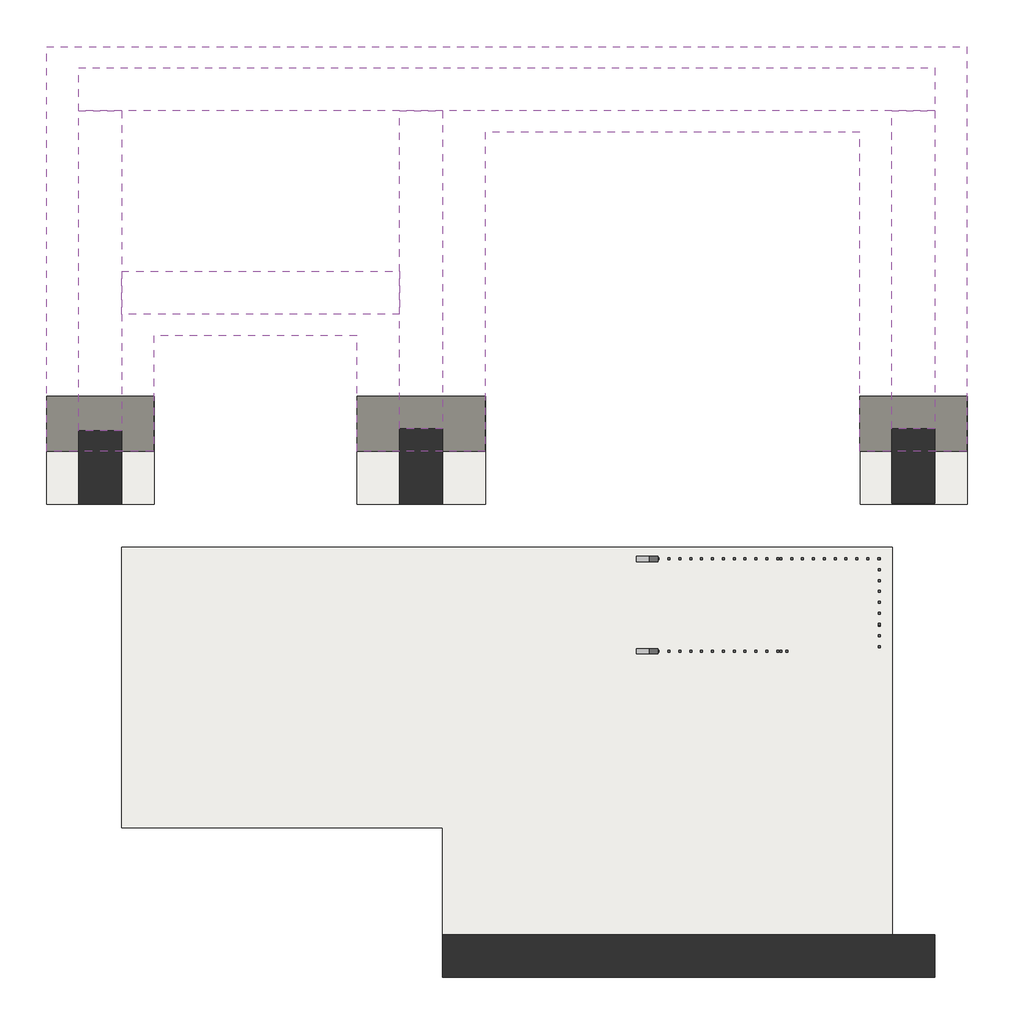
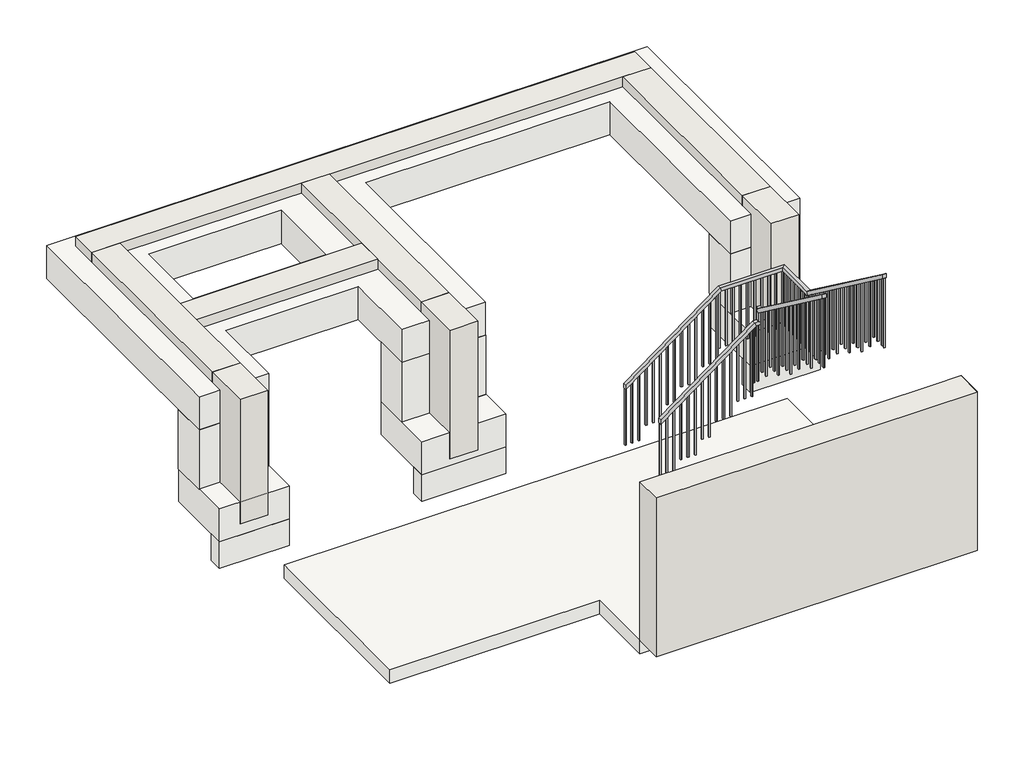
# One storey: 9 walls, 5 slabs, 2 railings.
"""IFC4 building model written with IfcOpenShell, lengths in millimetres."""

from ifc_helpers import new_model, si_unit, frame, origin, place, context, project, spatial, polyline, outline, extrude, faceted_brep, element, save

model = new_model("IFC4")

# Units and contexts
model_context = context("Model", 3, world=origin())
ifc_project = project(units=[si_unit("LENGTHUNIT", "METRE", prefix="MILLI")], contexts=[model_context])

# Site, building, storey
site = spatial("IfcSite", under=ifc_project)
building = spatial("IfcBuilding", under=site)
storey = spatial("IfcBuildingStorey", under=building, Elevation=-2600.0)

# Railings
placement = place(None, origin())
element("IfcRailing", 1, ObjectType="Handrail - Rectangular", at=placement, inside=storey, context=model_context, shape_type="SolidModel", body=[
    faceted_brep([(-5760.3022851, 5840.9288218, -1485.6), (-5760.3022851, 5840.9288218, -1548.8188977), (-5760.3022851, 5790.1288218, -1548.8188977), (-5760.3022851, 5790.1288218, -1485.6), (-4410.3022851, 5840.9288218, -485.6), (-4393.5367732, 5840.9288218, -536.4), (-4393.5367732, 5790.1288218, -536.4), (-4410.3022851, 5790.1288218, -485.6), (-4353.1522851, 5840.9288218, -485.6), (-4353.1522851, 5790.1288218, -485.6), (-4302.3522851, 5790.1288218, -536.4), (-4302.3522851, 5840.9288218, -536.4)], [[[0, 1, 2, 3]], [[1, 0, 4, 5]], [[2, 1, 5, 6]], [[3, 2, 6, 7]], [[0, 3, 7, 4]], [[8, 9, 10, 11]], [[5, 4, 8, 11]], [[6, 5, 11, 10]], [[7, 6, 10, 9]], [[4, 7, 9, 8]]]),
    faceted_brep([(-4353.1522851, 5840.9288218, -485.6), (-4302.3522851, 5840.9288218, -536.4), (-4302.3522851, 5790.1288218, -536.4), (-4353.1522851, 5790.1288218, -485.6), (-4353.1522851, 5840.9288218, -291.6201808), (-4353.1522851, 5790.1288218, -317.2094488), (-4302.3522851, 5790.1288218, -317.2094488), (-4302.3522851, 5840.9288218, -291.6201808)], [[[0, 1, 2, 3]], [[4, 5, 6, 7]], [[1, 0, 4, 7]], [[2, 1, 7, 6]], [[3, 2, 6, 5]], [[0, 3, 5, 4]]]),
    faceted_brep([(-4327.7522851, 5815.5288218, -304.4148148), (-4327.7522851, 5764.7288218, -330.0040829), (-4378.5522851, 5764.7288218, -330.0040829), (-4378.5522851, 5815.5288218, -304.4148148), (-4327.7522851, 4170.1288218, 914.4), (-4378.5522851, 4170.1288218, 914.4), (-4378.5522851, 4170.1288218, 851.1811023), (-4327.7522851, 4170.1288218, 851.1811023)], [[[0, 1, 2, 3]], [[4, 5, 6, 7]], [[1, 0, 4, 7]], [[2, 1, 7, 6]], [[3, 2, 6, 5]], [[0, 3, 5, 4]]]),
    extrude(outline(polyline([(4180.4038218, 843.5699912), (4199.4538218, 829.4588801), (4199.4538218, -200.0), (4180.4038218, -200.0), (4180.4038218, 843.5699912)])), frame((-4362.6772851, 0.0, 0.0), z_axis=(1.0, 0.0, 0.0), x_axis=(0.0, 1.0, 0.0)), (0.0, 0.0, 1.0), 19.05),
    extrude(outline(polyline([(4282.0038218, 768.3107319), (4301.0538218, 754.1996208), (4301.0538218, -200.0), (4282.0038218, -200.0), (4282.0038218, 768.3107319)])), frame((-4362.6772851, 0.0, 0.0), z_axis=(1.0, 0.0, 0.0), x_axis=(0.0, 1.0, 0.0)), (0.0, 0.0, 1.0), 19.05),
    extrude(outline(polyline([(4383.6038218, 693.0514727), (4402.6538218, 678.9403616), (4402.6538218, -200.0), (4383.6038218, -200.0), (4383.6038218, 693.0514727)])), frame((-4362.6772851, 0.0, 0.0), z_axis=(1.0, 0.0, 0.0), x_axis=(0.0, 1.0, 0.0)), (0.0, 0.0, 1.0), 19.05),
    extrude(outline(polyline([(4485.2038218, 617.7922134), (4504.2538218, 603.6811023), (4504.2538218, -400.0), (4485.2038218, -400.0), (4485.2038218, 617.7922134)])), frame((-4362.6772851, 0.0, 0.0), z_axis=(1.0, 0.0, 0.0), x_axis=(0.0, 1.0, 0.0)), (0.0, 0.0, 1.0), 19.05),
    extrude(outline(polyline([(4586.8038218, 542.5329542), (4605.8538218, 528.421843), (4605.8538218, -400.0), (4586.8038218, -400.0), (4586.8038218, 542.5329542)])), frame((-4362.6772851, 0.0, 0.0), z_axis=(1.0, 0.0, 0.0), x_axis=(0.0, 1.0, 0.0)), (0.0, 0.0, 1.0), 19.05),
    extrude(outline(polyline([(4688.4038218, 467.2736949), (4707.4538218, 453.1625838), (4707.4538218, -400.0), (4688.4038218, -400.0), (4688.4038218, 467.2736949)])), frame((-4362.6772851, 0.0, 0.0), z_axis=(1.0, 0.0, 0.0), x_axis=(0.0, 1.0, 0.0)), (0.0, 0.0, 1.0), 19.05),
    extrude(outline(polyline([(4790.0038218, 392.0144356), (4809.0538218, 377.9033245), (4809.0538218, -600.0), (4790.0038218, -600.0), (4790.0038218, 392.0144356)])), frame((-4362.6772851, 0.0, 0.0), z_axis=(1.0, 0.0, 0.0), x_axis=(0.0, 1.0, 0.0)), (0.0, 0.0, 1.0), 19.05),
    extrude(outline(polyline([(4891.6038218, 316.7551764), (4910.6538218, 302.6440653), (4910.6538218, -600.0), (4891.6038218, -600.0), (4891.6038218, 316.7551764)])), frame((-4362.6772851, 0.0, 0.0), z_axis=(1.0, 0.0, 0.0), x_axis=(0.0, 1.0, 0.0)), (0.0, 0.0, 1.0), 19.05),
    extrude(outline(polyline([(4993.2038218, 241.4959171), (5012.2538218, 227.384806), (5012.2538218, -800.0), (4993.2038218, -800.0), (4993.2038218, 241.4959171)])), frame((-4362.6772851, 0.0, 0.0), z_axis=(1.0, 0.0, 0.0), x_axis=(0.0, 1.0, 0.0)), (0.0, 0.0, 1.0), 19.05),
    extrude(outline(polyline([(5094.8038218, 166.2366579), (5113.8538218, 152.1255467), (5113.8538218, -800.0), (5094.8038218, -800.0), (5094.8038218, 166.2366579)])), frame((-4362.6772851, 0.0, 0.0), z_axis=(1.0, 0.0, 0.0), x_axis=(0.0, 1.0, 0.0)), (0.0, 0.0, 1.0), 19.05),
    extrude(outline(polyline([(5196.4038218, 90.9773986), (5215.4538218, 76.8662875), (5215.4538218, -800.0), (5196.4038218, -800.0), (5196.4038218, 90.9773986)])), frame((-4362.6772851, 0.0, 0.0), z_axis=(1.0, 0.0, 0.0), x_axis=(0.0, 1.0, 0.0)), (0.0, 0.0, 1.0), 19.05),
    extrude(outline(polyline([(5298.0038218, 15.7181393), (5317.0538218, 1.6070282), (5317.0538218, -1000.0), (5298.0038218, -1000.0), (5298.0038218, 15.7181393)])), frame((-4362.6772851, 0.0, 0.0), z_axis=(1.0, 0.0, 0.0), x_axis=(0.0, 1.0, 0.0)), (0.0, 0.0, 1.0), 19.05),
    extrude(outline(polyline([(5399.6038218, -59.5411199), (5418.6538218, -73.652231), (5418.6538218, -1000.0), (5399.6038218, -1000.0), (5399.6038218, -59.5411199)])), frame((-4362.6772851, 0.0, 0.0), z_axis=(1.0, 0.0, 0.0), x_axis=(0.0, 1.0, 0.0)), (0.0, 0.0, 1.0), 19.05),
    extrude(outline(polyline([(5501.2038218, -134.7077866), (5520.2538218, -148.8188977), (5520.2538218, -1000.0), (5501.2038218, -1000.0), (5501.2038218, -134.7077866)])), frame((-4362.6772851, 0.0, 0.0), z_axis=(1.0, 0.0, 0.0), x_axis=(0.0, 1.0, 0.0)), (0.0, 0.0, 1.0), 19.05),
    extrude(outline(polyline([(5602.8038218, -210.0596384), (5621.8538218, -224.1707495), (5621.8538218, -1200.0), (5602.8038218, -1200.0), (5602.8038218, -210.0596384)])), frame((-4362.6772851, 0.0, 0.0), z_axis=(1.0, 0.0, 0.0), x_axis=(0.0, 1.0, 0.0)), (0.0, 0.0, 1.0), 19.05),
    extrude(outline(polyline([(5704.4038218, -285.3188977), (5723.4538218, -299.4300088), (5723.4538218, -1200.0), (5704.4038218, -1200.0), (5704.4038218, -285.3188977)])), frame((-4362.6772851, 0.0, 0.0), z_axis=(1.0, 0.0, 0.0), x_axis=(0.0, 1.0, 0.0)), (0.0, 0.0, 1.0), 19.05),
    extrude(outline(polyline([(-563.3929718, -4429.9772851), (-577.5040829, -4449.0272851), (-1600.0, -4449.0272851), (-1600.0, -4429.9772851), (-563.3929718, -4429.9772851)])), frame((0.0, 5806.0038218, 0.0), z_axis=(0.0, 1.0, 0.0), x_axis=(0.0, 0.0, 1.0)), (0.0, 0.0, 1.0), 19.05),
    extrude(outline(polyline([(-638.652231, -4531.5772851), (-652.7633421, -4550.6272851), (-1600.0, -4550.6272851), (-1600.0, -4531.5772851), (-638.652231, -4531.5772851)])), frame((0.0, 5806.0038218, 0.0), z_axis=(0.0, 1.0, 0.0), x_axis=(0.0, 0.0, 1.0)), (0.0, 0.0, 1.0), 19.05),
    extrude(outline(polyline([(-713.9114903, -4633.1772851), (-728.0226014, -4652.2272851), (-1600.0, -4652.2272851), (-1600.0, -4633.1772851), (-713.9114903, -4633.1772851)])), frame((0.0, 5806.0038218, 0.0), z_axis=(0.0, 1.0, 0.0), x_axis=(0.0, 0.0, 1.0)), (0.0, 0.0, 1.0), 19.05),
    extrude(outline(polyline([(-789.1707495, -4734.7772851), (-803.2818607, -4753.8272851), (-1800.0, -4753.8272851), (-1800.0, -4734.7772851), (-789.1707495, -4734.7772851)])), frame((0.0, 5806.0038218, 0.0), z_axis=(0.0, 1.0, 0.0), x_axis=(0.0, 0.0, 1.0)), (0.0, 0.0, 1.0), 19.05),
    extrude(outline(polyline([(-864.4300088, -4836.3772851), (-878.5411199, -4855.4272851), (-1800.0, -4855.4272851), (-1800.0, -4836.3772851), (-864.4300088, -4836.3772851)])), frame((0.0, 5806.0038218, 0.0), z_axis=(0.0, 1.0, 0.0), x_axis=(0.0, 0.0, 1.0)), (0.0, 0.0, 1.0), 19.05),
    extrude(outline(polyline([(-939.6892681, -4937.9772851), (-953.8003792, -4957.0272851), (-1800.0, -4957.0272851), (-1800.0, -4937.9772851), (-939.6892681, -4937.9772851)])), frame((0.0, 5806.0038218, 0.0), z_axis=(0.0, 1.0, 0.0), x_axis=(0.0, 0.0, 1.0)), (0.0, 0.0, 1.0), 19.05),
    extrude(outline(polyline([(-1014.9485273, -5039.5772851), (-1029.0596384, -5058.6272851), (-2000.0, -5058.6272851), (-2000.0, -5039.5772851), (-1014.9485273, -5039.5772851)])), frame((0.0, 5806.0038218, 0.0), z_axis=(0.0, 1.0, 0.0), x_axis=(0.0, 0.0, 1.0)), (0.0, 0.0, 1.0), 19.05),
    extrude(outline(polyline([(-1090.2077866, -5141.1772851), (-1104.3188977, -5160.2272851), (-2000.0, -5160.2272851), (-2000.0, -5141.1772851), (-1090.2077866, -5141.1772851)])), frame((0.0, 5806.0038218, 0.0), z_axis=(0.0, 1.0, 0.0), x_axis=(0.0, 0.0, 1.0)), (0.0, 0.0, 1.0), 19.05),
    extrude(outline(polyline([(-1165.4670458, -5242.7772851), (-1179.578157, -5261.8272851), (-2200.0, -5261.8272851), (-2200.0, -5242.7772851), (-1165.4670458, -5242.7772851)])), frame((0.0, 5806.0038218, 0.0), z_axis=(0.0, 1.0, 0.0), x_axis=(0.0, 0.0, 1.0)), (0.0, 0.0, 1.0), 19.05),
    extrude(outline(polyline([(-1240.7263051, -5344.3772851), (-1254.8374162, -5363.4272851), (-2200.0, -5363.4272851), (-2200.0, -5344.3772851), (-1240.7263051, -5344.3772851)])), frame((0.0, 5806.0038218, 0.0), z_axis=(0.0, 1.0, 0.0), x_axis=(0.0, 0.0, 1.0)), (0.0, 0.0, 1.0), 19.05),
    extrude(outline(polyline([(-1315.9855644, -5445.9772851), (-1330.0966755, -5465.0272851), (-2200.0, -5465.0272851), (-2200.0, -5445.9772851), (-1315.9855644, -5445.9772851)])), frame((0.0, 5806.0038218, 0.0), z_axis=(0.0, 1.0, 0.0), x_axis=(0.0, 0.0, 1.0)), (0.0, 0.0, 1.0), 19.05),
    extrude(outline(polyline([(-1391.2448236, -5547.5772851), (-1405.3559347, -5566.6272851), (-2400.0, -5566.6272851), (-2400.0, -5547.5772851), (-1391.2448236, -5547.5772851)])), frame((0.0, 5806.0038218, 0.0), z_axis=(0.0, 1.0, 0.0), x_axis=(0.0, 0.0, 1.0)), (0.0, 0.0, 1.0), 19.05),
    extrude(outline(polyline([(-1466.5040829, -5649.1772851), (-1480.615194, -5668.2272851), (-2400.0, -5668.2272851), (-2400.0, -5649.1772851), (-1466.5040829, -5649.1772851)])), frame((0.0, 5806.0038218, 0.0), z_axis=(0.0, 1.0, 0.0), x_axis=(0.0, 0.0, 1.0)), (0.0, 0.0, 1.0), 19.05),
    extrude(outline(polyline([(-4362.6772851, 5825.0538218), (-4343.6272851, 5825.0538218), (-4343.6272851, 5806.0038218), (-4362.6772851, 5806.0038218), (-4362.6772851, 5825.0538218)])), frame((0.0, 0.0, -1400.0), z_axis=(0.0, 0.0, 1.0), x_axis=(1.0, 0.0, 0.0)), (0.0, 0.0, 1.0), 863.6),
    extrude(outline(polyline([(-499.4300088, -4400.7772851), (-513.5411199, -4419.8272851), (-1400.0, -4419.8272851), (-1400.0, -4400.7772851), (-499.4300088, -4400.7772851)])), frame((0.0, 5806.0038218, 0.0), z_axis=(0.0, 1.0, 0.0), x_axis=(0.0, 0.0, 1.0)), (0.0, 0.0, 1.0), 19.05),
    extrude(outline(polyline([(4170.1288218, 851.1811023), (4189.1788218, 837.0699912), (4189.1788218, -200.0), (4170.1288218, -200.0), (4170.1288218, 851.1811023)])), frame((-4362.6772851, 0.0, 0.0), z_axis=(1.0, 0.0, 0.0), x_axis=(0.0, 1.0, 0.0)), (0.0, 0.0, 1.0), 19.05),
    extrude(outline(polyline([(-1534.7077866, -5741.2522851), (-1548.8188977, -5760.3022851), (-2400.0, -5760.3022851), (-2400.0, -5741.2522851), (-1534.7077866, -5741.2522851)])), frame((0.0, 5806.0038218, 0.0), z_axis=(0.0, 1.0, 0.0), x_axis=(0.0, 0.0, 1.0)), (0.0, 0.0, 1.0), 19.05),
])
element("IfcRailing", 2, ObjectType="Handrail - Rectangular", at=placement, inside=storey, context=model_context, shape_type="SolidModel", body=[
    faceted_brep([(-5760.3022851, 6704.5288218, -1485.6), (-5760.3022851, 6704.5288218, -1548.8188977), (-5760.3022851, 6653.7288218, -1548.8188977), (-5760.3022851, 6653.7288218, -1485.6), (-4410.3022851, 6704.5288218, -485.6), (-4393.5367732, 6704.5288218, -536.4), (-4393.5367732, 6653.7288218, -536.4), (-4410.3022851, 6653.7288218, -485.6), (-3464.1522851, 6704.5288218, -485.6), (-3464.1522851, 6704.5288218, -536.4), (-3514.9522851, 6653.7288218, -536.4), (-3514.9522851, 6653.7288218, -485.6), (-3464.1522851, 6060.1288218, -485.6), (-3464.1522851, 6043.3633099, -536.4), (-3514.9522851, 6043.3633099, -536.4), (-3514.9522851, 6060.1288218, -485.6), (-3464.1522851, 4170.1288218, 914.4), (-3514.9522851, 4170.1288218, 914.4), (-3514.9522851, 4170.1288218, 851.1811023), (-3464.1522851, 4170.1288218, 851.1811023)], [[[0, 1, 2, 3]], [[1, 0, 4, 5]], [[2, 1, 5, 6]], [[3, 2, 6, 7]], [[0, 3, 7, 4]], [[5, 4, 8, 9]], [[6, 5, 9, 10]], [[7, 6, 10, 11]], [[4, 7, 11, 8]], [[9, 8, 12, 13]], [[10, 9, 13, 14]], [[11, 10, 14, 15]], [[8, 11, 15, 12]], [[16, 17, 18, 19]], [[13, 12, 16, 19]], [[14, 13, 19, 18]], [[15, 14, 18, 17]], [[12, 15, 17, 16]]]),
    extrude(outline(polyline([(4240.8538218, 798.7922134), (4240.8538218, -200.0), (4221.8038218, -200.0), (4221.8038218, 812.9033245), (4240.8538218, 798.7922134)])), frame((-3499.0772851, 0.0, 0.0), z_axis=(1.0, 0.0, 0.0), x_axis=(0.0, 1.0, 0.0)), (0.0, 0.0, 1.0), 19.05),
    extrude(outline(polyline([(4342.4538218, 723.5329542), (4342.4538218, -200.0), (4323.4038218, -200.0), (4323.4038218, 737.6440653), (4342.4538218, 723.5329542)])), frame((-3499.0772851, 0.0, 0.0), z_axis=(1.0, 0.0, 0.0), x_axis=(0.0, 1.0, 0.0)), (0.0, 0.0, 1.0), 19.05),
    extrude(outline(polyline([(4444.0538218, 648.2736949), (4444.0538218, -200.0), (4425.0038218, -200.0), (4425.0038218, 662.384806), (4444.0538218, 648.2736949)])), frame((-3499.0772851, 0.0, 0.0), z_axis=(1.0, 0.0, 0.0), x_axis=(0.0, 1.0, 0.0)), (0.0, 0.0, 1.0), 19.05),
    extrude(outline(polyline([(4545.6538218, 573.0144356), (4545.6538218, -400.0), (4526.6038218, -400.0), (4526.6038218, 587.1255467), (4545.6538218, 573.0144356)])), frame((-3499.0772851, 0.0, 0.0), z_axis=(1.0, 0.0, 0.0), x_axis=(0.0, 1.0, 0.0)), (0.0, 0.0, 1.0), 19.05),
    extrude(outline(polyline([(4647.2538218, 497.7551764), (4647.2538218, -400.0), (4628.2038218, -400.0), (4628.2038218, 511.8662875), (4647.2538218, 497.7551764)])), frame((-3499.0772851, 0.0, 0.0), z_axis=(1.0, 0.0, 0.0), x_axis=(0.0, 1.0, 0.0)), (0.0, 0.0, 1.0), 19.05),
    extrude(outline(polyline([(4748.8538218, 422.4959171), (4748.8538218, -600.0), (4729.8038218, -600.0), (4729.8038218, 436.6070282), (4748.8538218, 422.4959171)])), frame((-3499.0772851, 0.0, 0.0), z_axis=(1.0, 0.0, 0.0), x_axis=(0.0, 1.0, 0.0)), (0.0, 0.0, 1.0), 19.05),
    extrude(outline(polyline([(4850.4538218, 347.2366579), (4850.4538218, -600.0), (4831.4038218, -600.0), (4831.4038218, 361.347769), (4850.4538218, 347.2366579)])), frame((-3499.0772851, 0.0, 0.0), z_axis=(1.0, 0.0, 0.0), x_axis=(0.0, 1.0, 0.0)), (0.0, 0.0, 1.0), 19.05),
    extrude(outline(polyline([(4952.0538218, 271.9773986), (4952.0538218, -600.0), (4933.0038218, -600.0), (4933.0038218, 286.0885097), (4952.0538218, 271.9773986)])), frame((-3499.0772851, 0.0, 0.0), z_axis=(1.0, 0.0, 0.0), x_axis=(0.0, 1.0, 0.0)), (0.0, 0.0, 1.0), 19.05),
    extrude(outline(polyline([(5053.6538218, 196.7181393), (5053.6538218, -800.0), (5034.6038218, -800.0), (5034.6038218, 210.8292505), (5053.6538218, 196.7181393)])), frame((-3499.0772851, 0.0, 0.0), z_axis=(1.0, 0.0, 0.0), x_axis=(0.0, 1.0, 0.0)), (0.0, 0.0, 1.0), 19.05),
    extrude(outline(polyline([(5155.2538218, 121.4588801), (5155.2538218, -800.0), (5136.2038218, -800.0), (5136.2038218, 135.5699912), (5155.2538218, 121.4588801)])), frame((-3499.0772851, 0.0, 0.0), z_axis=(1.0, 0.0, 0.0), x_axis=(0.0, 1.0, 0.0)), (0.0, 0.0, 1.0), 19.05),
    extrude(outline(polyline([(5256.8538218, 46.1996208), (5256.8538218, -800.0), (5237.8038218, -800.0), (5237.8038218, 60.3107319), (5256.8538218, 46.1996208)])), frame((-3499.0772851, 0.0, 0.0), z_axis=(1.0, 0.0, 0.0), x_axis=(0.0, 1.0, 0.0)), (0.0, 0.0, 1.0), 19.05),
    extrude(outline(polyline([(5358.4538218, -29.0596384), (5358.4538218, -1000.0), (5339.4038218, -1000.0), (5339.4038218, -14.9485273), (5358.4538218, -29.0596384)])), frame((-3499.0772851, 0.0, 0.0), z_axis=(1.0, 0.0, 0.0), x_axis=(0.0, 1.0, 0.0)), (0.0, 0.0, 1.0), 19.05),
    extrude(outline(polyline([(5460.0538218, -104.3188977), (5460.0538218, -1000.0), (5441.0038218, -1000.0), (5441.0038218, -90.2077866), (5460.0538218, -104.3188977)])), frame((-3499.0772851, 0.0, 0.0), z_axis=(1.0, 0.0, 0.0), x_axis=(0.0, 1.0, 0.0)), (0.0, 0.0, 1.0), 19.05),
    extrude(outline(polyline([(5561.6538218, -179.578157), (5561.6538218, -1200.0), (5542.6038218, -1200.0), (5542.6038218, -165.4670458), (5561.6538218, -179.578157)])), frame((-3499.0772851, 0.0, 0.0), z_axis=(1.0, 0.0, 0.0), x_axis=(0.0, 1.0, 0.0)), (0.0, 0.0, 1.0), 19.05),
    extrude(outline(polyline([(5663.2538218, -254.8374162), (5663.2538218, -1200.0), (5644.2038218, -1200.0), (5644.2038218, -240.7263051), (5663.2538218, -254.8374162)])), frame((-3499.0772851, 0.0, 0.0), z_axis=(1.0, 0.0, 0.0), x_axis=(0.0, 1.0, 0.0)), (0.0, 0.0, 1.0), 19.05),
    extrude(outline(polyline([(5764.8538218, -330.0966755), (5764.8538218, -1200.0), (5745.8038218, -1200.0), (5745.8038218, -315.9855644), (5764.8538218, -330.0966755)])), frame((-3499.0772851, 0.0, 0.0), z_axis=(1.0, 0.0, 0.0), x_axis=(0.0, 1.0, 0.0)), (0.0, 0.0, 1.0), 19.05),
    extrude(outline(polyline([(5866.4538218, -405.3559347), (5866.4538218, -1400.0), (5847.4038218, -1400.0), (5847.4038218, -391.2448236), (5866.4538218, -405.3559347)])), frame((-3499.0772851, 0.0, 0.0), z_axis=(1.0, 0.0, 0.0), x_axis=(0.0, 1.0, 0.0)), (0.0, 0.0, 1.0), 19.05),
    extrude(outline(polyline([(5968.0538218, -480.615194), (5968.0538218, -1400.0), (5949.0038218, -1400.0), (5949.0038218, -466.5040829), (5968.0538218, -480.615194)])), frame((-3499.0772851, 0.0, 0.0), z_axis=(1.0, 0.0, 0.0), x_axis=(0.0, 1.0, 0.0)), (0.0, 0.0, 1.0), 19.05),
    extrude(outline(polyline([(-3480.0272851, 6079.0538218), (-3480.0272851, 6060.0038218), (-3499.0772851, 6060.0038218), (-3499.0772851, 6079.0538218), (-3480.0272851, 6079.0538218)])), frame((0.0, 0.0, -1400.0), z_axis=(0.0, 0.0, 1.0), x_axis=(1.0, 0.0, 0.0)), (0.0, 0.0, 1.0), 863.6),
    extrude(outline(polyline([(-3480.0272851, 6180.6538218), (-3480.0272851, 6161.6038218), (-3499.0772851, 6161.6038218), (-3499.0772851, 6180.6538218), (-3480.0272851, 6180.6538218)])), frame((0.0, 0.0, -1400.0), z_axis=(0.0, 0.0, 1.0), x_axis=(1.0, 0.0, 0.0)), (0.0, 0.0, 1.0), 863.6),
    extrude(outline(polyline([(-3480.0272851, 6282.2538218), (-3480.0272851, 6263.2038218), (-3499.0772851, 6263.2038218), (-3499.0772851, 6282.2538218), (-3480.0272851, 6282.2538218)])), frame((0.0, 0.0, -1400.0), z_axis=(0.0, 0.0, 1.0), x_axis=(1.0, 0.0, 0.0)), (0.0, 0.0, 1.0), 863.6),
    extrude(outline(polyline([(-3480.0272851, 6383.8538218), (-3480.0272851, 6364.8038218), (-3499.0772851, 6364.8038218), (-3499.0772851, 6383.8538218), (-3480.0272851, 6383.8538218)])), frame((0.0, 0.0, -1400.0), z_axis=(0.0, 0.0, 1.0), x_axis=(1.0, 0.0, 0.0)), (0.0, 0.0, 1.0), 863.6),
    extrude(outline(polyline([(-3480.0272851, 6485.4538218), (-3480.0272851, 6466.4038218), (-3499.0772851, 6466.4038218), (-3499.0772851, 6485.4538218), (-3480.0272851, 6485.4538218)])), frame((0.0, 0.0, -1400.0), z_axis=(0.0, 0.0, 1.0), x_axis=(1.0, 0.0, 0.0)), (0.0, 0.0, 1.0), 863.6),
    extrude(outline(polyline([(-3480.0272851, 6587.0538218), (-3480.0272851, 6568.0038218), (-3499.0772851, 6568.0038218), (-3499.0772851, 6587.0538218), (-3480.0272851, 6587.0538218)])), frame((0.0, 0.0, -1400.0), z_axis=(0.0, 0.0, 1.0), x_axis=(1.0, 0.0, 0.0)), (0.0, 0.0, 1.0), 863.6),
    extrude(outline(polyline([(-3505.4272851, 6688.6538218), (-3486.3772851, 6688.6538218), (-3486.3772851, 6669.6038218), (-3505.4272851, 6669.6038218), (-3505.4272851, 6688.6538218)])), frame((0.0, 0.0, -1400.0), z_axis=(0.0, 0.0, 1.0), x_axis=(1.0, 0.0, 0.0)), (0.0, 0.0, 1.0), 863.6),
    extrude(outline(polyline([(-3607.0272851, 6688.6538218), (-3587.9772851, 6688.6538218), (-3587.9772851, 6669.6038218), (-3607.0272851, 6669.6038218), (-3607.0272851, 6688.6538218)])), frame((0.0, 0.0, -1400.0), z_axis=(0.0, 0.0, 1.0), x_axis=(1.0, 0.0, 0.0)), (0.0, 0.0, 1.0), 863.6),
    extrude(outline(polyline([(-3708.6272851, 6688.6538218), (-3689.5772851, 6688.6538218), (-3689.5772851, 6669.6038218), (-3708.6272851, 6669.6038218), (-3708.6272851, 6688.6538218)])), frame((0.0, 0.0, -1400.0), z_axis=(0.0, 0.0, 1.0), x_axis=(1.0, 0.0, 0.0)), (0.0, 0.0, 1.0), 863.6),
    extrude(outline(polyline([(-3810.2272851, 6688.6538218), (-3791.1772851, 6688.6538218), (-3791.1772851, 6669.6038218), (-3810.2272851, 6669.6038218), (-3810.2272851, 6688.6538218)])), frame((0.0, 0.0, -1400.0), z_axis=(0.0, 0.0, 1.0), x_axis=(1.0, 0.0, 0.0)), (0.0, 0.0, 1.0), 863.6),
    extrude(outline(polyline([(-3911.8272851, 6688.6538218), (-3892.7772851, 6688.6538218), (-3892.7772851, 6669.6038218), (-3911.8272851, 6669.6038218), (-3911.8272851, 6688.6538218)])), frame((0.0, 0.0, -1400.0), z_axis=(0.0, 0.0, 1.0), x_axis=(1.0, 0.0, 0.0)), (0.0, 0.0, 1.0), 863.6),
    extrude(outline(polyline([(-4013.4272851, 6688.6538218), (-3994.3772851, 6688.6538218), (-3994.3772851, 6669.6038218), (-4013.4272851, 6669.6038218), (-4013.4272851, 6688.6538218)])), frame((0.0, 0.0, -1400.0), z_axis=(0.0, 0.0, 1.0), x_axis=(1.0, 0.0, 0.0)), (0.0, 0.0, 1.0), 863.6),
    extrude(outline(polyline([(-4115.0272851, 6688.6538218), (-4095.9772851, 6688.6538218), (-4095.9772851, 6669.6038218), (-4115.0272851, 6669.6038218), (-4115.0272851, 6688.6538218)])), frame((0.0, 0.0, -1400.0), z_axis=(0.0, 0.0, 1.0), x_axis=(1.0, 0.0, 0.0)), (0.0, 0.0, 1.0), 863.6),
    extrude(outline(polyline([(-4216.6272851, 6688.6538218), (-4197.5772851, 6688.6538218), (-4197.5772851, 6669.6038218), (-4216.6272851, 6669.6038218), (-4216.6272851, 6688.6538218)])), frame((0.0, 0.0, -1400.0), z_axis=(0.0, 0.0, 1.0), x_axis=(1.0, 0.0, 0.0)), (0.0, 0.0, 1.0), 863.6),
    extrude(outline(polyline([(-4318.2272851, 6688.6538218), (-4299.1772851, 6688.6538218), (-4299.1772851, 6669.6038218), (-4318.2272851, 6669.6038218), (-4318.2272851, 6688.6538218)])), frame((0.0, 0.0, -1400.0), z_axis=(0.0, 0.0, 1.0), x_axis=(1.0, 0.0, 0.0)), (0.0, 0.0, 1.0), 863.6),
    extrude(outline(polyline([(-577.5040829, -4449.0272851), (-1600.0, -4449.0272851), (-1600.0, -4429.9772851), (-563.3929718, -4429.9772851), (-577.5040829, -4449.0272851)])), frame((0.0, 6669.6038218, 0.0), z_axis=(0.0, 1.0, 0.0), x_axis=(0.0, 0.0, 1.0)), (0.0, 0.0, 1.0), 19.05),
    extrude(outline(polyline([(-652.7633421, -4550.6272851), (-1600.0, -4550.6272851), (-1600.0, -4531.5772851), (-638.652231, -4531.5772851), (-652.7633421, -4550.6272851)])), frame((0.0, 6669.6038218, 0.0), z_axis=(0.0, 1.0, 0.0), x_axis=(0.0, 0.0, 1.0)), (0.0, 0.0, 1.0), 19.05),
    extrude(outline(polyline([(-728.0226014, -4652.2272851), (-1600.0, -4652.2272851), (-1600.0, -4633.1772851), (-713.9114903, -4633.1772851), (-728.0226014, -4652.2272851)])), frame((0.0, 6669.6038218, 0.0), z_axis=(0.0, 1.0, 0.0), x_axis=(0.0, 0.0, 1.0)), (0.0, 0.0, 1.0), 19.05),
    extrude(outline(polyline([(-803.2818607, -4753.8272851), (-1800.0, -4753.8272851), (-1800.0, -4734.7772851), (-789.1707495, -4734.7772851), (-803.2818607, -4753.8272851)])), frame((0.0, 6669.6038218, 0.0), z_axis=(0.0, 1.0, 0.0), x_axis=(0.0, 0.0, 1.0)), (0.0, 0.0, 1.0), 19.05),
    extrude(outline(polyline([(-878.5411199, -4855.4272851), (-1800.0, -4855.4272851), (-1800.0, -4836.3772851), (-864.4300088, -4836.3772851), (-878.5411199, -4855.4272851)])), frame((0.0, 6669.6038218, 0.0), z_axis=(0.0, 1.0, 0.0), x_axis=(0.0, 0.0, 1.0)), (0.0, 0.0, 1.0), 19.05),
    extrude(outline(polyline([(-953.8003792, -4957.0272851), (-1800.0, -4957.0272851), (-1800.0, -4937.9772851), (-939.6892681, -4937.9772851), (-953.8003792, -4957.0272851)])), frame((0.0, 6669.6038218, 0.0), z_axis=(0.0, 1.0, 0.0), x_axis=(0.0, 0.0, 1.0)), (0.0, 0.0, 1.0), 19.05),
    extrude(outline(polyline([(-1029.0596384, -5058.6272851), (-2000.0, -5058.6272851), (-2000.0, -5039.5772851), (-1014.9485273, -5039.5772851), (-1029.0596384, -5058.6272851)])), frame((0.0, 6669.6038218, 0.0), z_axis=(0.0, 1.0, 0.0), x_axis=(0.0, 0.0, 1.0)), (0.0, 0.0, 1.0), 19.05),
    extrude(outline(polyline([(-1104.3188977, -5160.2272851), (-2000.0, -5160.2272851), (-2000.0, -5141.1772851), (-1090.2077866, -5141.1772851), (-1104.3188977, -5160.2272851)])), frame((0.0, 6669.6038218, 0.0), z_axis=(0.0, 1.0, 0.0), x_axis=(0.0, 0.0, 1.0)), (0.0, 0.0, 1.0), 19.05),
    extrude(outline(polyline([(-1179.578157, -5261.8272851), (-2200.0, -5261.8272851), (-2200.0, -5242.7772851), (-1165.4670458, -5242.7772851), (-1179.578157, -5261.8272851)])), frame((0.0, 6669.6038218, 0.0), z_axis=(0.0, 1.0, 0.0), x_axis=(0.0, 0.0, 1.0)), (0.0, 0.0, 1.0), 19.05),
    extrude(outline(polyline([(-1254.8374162, -5363.4272851), (-2200.0, -5363.4272851), (-2200.0, -5344.3772851), (-1240.7263051, -5344.3772851), (-1254.8374162, -5363.4272851)])), frame((0.0, 6669.6038218, 0.0), z_axis=(0.0, 1.0, 0.0), x_axis=(0.0, 0.0, 1.0)), (0.0, 0.0, 1.0), 19.05),
    extrude(outline(polyline([(-1330.0966755, -5465.0272851), (-2200.0, -5465.0272851), (-2200.0, -5445.9772851), (-1315.9855644, -5445.9772851), (-1330.0966755, -5465.0272851)])), frame((0.0, 6669.6038218, 0.0), z_axis=(0.0, 1.0, 0.0), x_axis=(0.0, 0.0, 1.0)), (0.0, 0.0, 1.0), 19.05),
    extrude(outline(polyline([(-1405.3559347, -5566.6272851), (-2400.0, -5566.6272851), (-2400.0, -5547.5772851), (-1391.2448236, -5547.5772851), (-1405.3559347, -5566.6272851)])), frame((0.0, 6669.6038218, 0.0), z_axis=(0.0, 1.0, 0.0), x_axis=(0.0, 0.0, 1.0)), (0.0, 0.0, 1.0), 19.05),
    extrude(outline(polyline([(-1480.615194, -5668.2272851), (-2400.0, -5668.2272851), (-2400.0, -5649.1772851), (-1466.5040829, -5649.1772851), (-1480.615194, -5668.2272851)])), frame((0.0, 6669.6038218, 0.0), z_axis=(0.0, 1.0, 0.0), x_axis=(0.0, 0.0, 1.0)), (0.0, 0.0, 1.0), 19.05),
    extrude(outline(polyline([(-3480.0272851, 6069.6538218), (-3480.0272851, 6050.6038218), (-3499.0772851, 6050.6038218), (-3499.0772851, 6069.6538218), (-3480.0272851, 6069.6538218)])), frame((0.0, 0.0, -1400.0), z_axis=(0.0, 0.0, 1.0), x_axis=(1.0, 0.0, 0.0)), (0.0, 0.0, 1.0), 863.6),
    extrude(outline(polyline([(-3499.0772851, 6688.6538218), (-3480.0272851, 6688.6538218), (-3480.0272851, 6669.6038218), (-3499.0772851, 6669.6038218), (-3499.0772851, 6688.6538218)])), frame((0.0, 0.0, -1400.0), z_axis=(0.0, 0.0, 1.0), x_axis=(1.0, 0.0, 0.0)), (0.0, 0.0, 1.0), 863.6),
    extrude(outline(polyline([(-555.8744533, -4419.8272851), (-1400.0, -4419.8272851), (-1400.0, -4400.7772851), (-541.7633421, -4400.7772851), (-555.8744533, -4419.8272851)])), frame((0.0, 6669.6038218, 0.0), z_axis=(0.0, 1.0, 0.0), x_axis=(0.0, 0.0, 1.0)), (0.0, 0.0, 1.0), 19.05),
    extrude(outline(polyline([(4189.1788218, 837.0699912), (4189.1788218, -200.0), (4170.1288218, -200.0), (4170.1288218, 851.1811023), (4189.1788218, 837.0699912)])), frame((-3499.0772851, 0.0, 0.0), z_axis=(1.0, 0.0, 0.0), x_axis=(0.0, 1.0, 0.0)), (0.0, 0.0, 1.0), 19.05),
    extrude(outline(polyline([(-1548.8188977, -5760.3022851), (-2400.0, -5760.3022851), (-2400.0, -5741.2522851), (-1534.7077866, -5741.2522851), (-1548.8188977, -5760.3022851)])), frame((0.0, 6669.6038218, 0.0), z_axis=(0.0, 1.0, 0.0), x_axis=(0.0, 0.0, 1.0)), (0.0, 0.0, 1.0), 19.05),
])

# Slabs
element("IfcSlab", 3, at=placement, inside=storey, context=model_context, shape_type="SweptSolid", body=[
    extrude(outline(polyline([(-7168.6006695, 7389.1927467), (-7168.6006695, 7189.1927467), (-8368.6006695, 7189.1927467), (-8368.6006695, 7389.1927467), (-7168.6006695, 7389.1927467)])), frame((0.0, 0.0, -2650.0), z_axis=(0.0, 0.0, 1.0), x_axis=(1.0, 0.0, 0.0)), (0.0, 0.0, 1.0), 400.0),
    extrude(outline(polyline([(-10268.6006695, 7389.1927467), (-10268.6006695, 7189.1927467), (-11268.6006695, 7189.1927467), (-11268.6006695, 7389.1927467), (-10268.6006695, 7389.1927467)])), frame((0.0, 0.0, -2650.0), z_axis=(0.0, 0.0, 1.0), x_axis=(1.0, 0.0, 0.0)), (0.0, 0.0, 1.0), 400.0),
    extrude(outline(polyline([(-2668.6006695, 7389.1927467), (-2668.6006695, 7189.1927467), (-3668.6006695, 7189.1927467), (-3668.6006695, 7389.1927467), (-2668.6006695, 7389.1927467)])), frame((0.0, 0.0, -2650.0), z_axis=(0.0, 0.0, 1.0), x_axis=(1.0, 0.0, 0.0)), (0.0, 0.0, 1.0), 400.0),
])
element("IfcSlab", 4, at=placement, inside=storey, context=model_context, shape_type="Brep", body=[
    faceted_brep([(-7172.7181325, 7684.1091022, -1750.2460789), (-7172.7181325, 8195.8148498, -1750.2460789), (-7172.7181325, 8195.8148498, -1750.0), (-7172.7181325, 8195.8148498, -850.2460789), (-7172.7181325, 7684.1091022, -850.2460789), (-7172.7181325, 7684.1091022, -1750.0), (-8372.7181325, 7684.1091022, -1750.2460789), (-8368.6304364, 7684.1091022, -1750.2460789), (-8372.7181325, 7684.1091022, -850.2460789), (-8372.7181325, 8195.8148498, -1750.2460789), (-8372.7181325, 8195.8148498, -850.2460789), (-8368.6304364, 8195.8148498, -1750.2460789)], [[[0, 1, 2, 3, 4, 5]], [[6, 7, 0, 5, 4, 8]], [[9, 6, 8, 10]], [[1, 11, 9, 10, 3, 2]], [[3, 10, 8, 4]], [[1, 0, 7, 6, 9, 11]]]),
    faceted_brep([(-10272.7181325, 7684.1091022, -1750.2460789), (-10272.7181325, 8195.8148498, -1750.2460789), (-10272.7181325, 8195.8148498, -1750.0), (-10272.7181325, 8195.8148498, -850.2460789), (-10272.7181325, 7684.1091022, -850.2460789), (-10272.7181325, 7684.1091022, -1750.0), (-11272.7181325, 7684.1091022, -1750.2460789), (-11268.6304364, 7684.1091022, -1750.2460789), (-11272.7181325, 7684.1091022, -850.2460789), (-11272.7181325, 8195.8148498, -1750.2460789), (-11272.7181325, 8195.8148498, -850.2460789), (-11268.6304364, 8195.8148498, -1750.2460789)], [[[0, 1, 2, 3, 4, 5]], [[6, 7, 0, 5, 4, 8]], [[9, 6, 8, 10]], [[1, 11, 9, 10, 3, 2]], [[3, 10, 8, 4]], [[1, 0, 7, 6, 9, 11]]]),
    faceted_brep([(-2672.7181325, 8195.8148498, -1750.2460789), (-2672.7181325, 7684.1091022, -1750.2460789), (-3668.6304364, 7684.1091022, -1750.2460789), (-3672.7181325, 7684.1091022, -1750.2460789), (-3672.7181325, 8195.8148498, -1750.2460789), (-3668.6304364, 8195.8148498, -1750.2460789), (-2672.7181325, 8195.8148498, -850.2460789), (-3672.7181325, 8195.8148498, -850.2460789), (-3672.7181325, 7684.1091022, -850.2460789), (-2672.7181325, 7684.1091022, -850.2460789), (-2672.7181325, 8195.8148498, -1750.0), (-2672.7181325, 7684.1091022, -1750.0)], [[[0, 1, 2, 3, 4, 5]], [[6, 7, 8, 9]], [[1, 0, 10, 6, 9, 11]], [[3, 2, 1, 11, 9, 8]], [[4, 3, 8, 7]], [[0, 5, 4, 7, 6, 10]]]),
])
element("IfcSlab", 5, ObjectType="ab stopa 50", at=placement, inside=storey, context=model_context, shape_type="SweptSolid", body=[
    extrude(outline(polyline([(-2672.7697469, 7684.1931157), (-3672.7697469, 7684.1931157), (-3672.7697469, 10664.1931157), (-7172.7697469, 10664.1931157), (-7172.7697469, 7684.1931157), (-8372.7697469, 7684.1931157), (-8372.7697469, 8764.1931157), (-10272.7697469, 8764.1931157), (-10272.7697469, 7684.1931157), (-11272.7697469, 7684.1931157), (-11272.7697469, 11464.1931157), (-2672.7697469, 11464.1931157), (-2672.7697469, 7684.1931157)]), holes=[polyline([(-8372.7697469, 10664.1931157), (-10272.7697469, 10664.1931157), (-10272.7697469, 9564.1931157), (-8372.7697469, 9564.1931157), (-8372.7697469, 10664.1931157)])]), frame((0.0, 0.0, -850.3182094), z_axis=(0.0, 0.0, 1.0), x_axis=(1.0, 0.0, 0.0)), (0.0, 0.0, 1.0), 500.0),
])
element("IfcSlab", 6, ObjectType="ab stopa 50", at=placement, inside=storey, context=model_context, shape_type="Brep", body=[
    faceted_brep([(-7168.6304364, 7189.3086188, -2250.0), (-7168.6304364, 8196.0336039, -2250.0), (-7168.6304364, 8196.0336039, -1750.0), (-7168.6304364, 7189.3086188, -1750.0), (-8368.6304364, 7189.3086188, -2250.0), (-8368.6304364, 7189.3086188, -1750.0), (-8368.6304364, 8196.0336039, -2250.0), (-8368.6304364, 7684.1091022, -1750.0), (-8368.6304364, 7684.1091022, -1750.2460789), (-8368.6304364, 8195.8148498, -1750.2460789), (-8368.6304364, 8195.8148498, -1750.0), (-8368.6304364, 8196.0336039, -1750.0), (-7172.7181325, 8195.8148498, -1750.2460789), (-7172.7181325, 7684.1091022, -1750.2460789), (-7172.7181325, 7684.1091022, -1750.0), (-7172.7181325, 8195.8148498, -1750.0)], [[[0, 1, 2, 3]], [[4, 0, 3, 5]], [[6, 4, 5, 7, 8, 9, 10, 11]], [[1, 6, 11, 2]], [[12, 13, 14, 15]], [[13, 8, 7, 14]], [[9, 12, 15, 10]], [[13, 12, 9, 8]], [[3, 2, 11, 10, 15, 14, 7, 5]], [[1, 0, 4, 6]]]),
    faceted_brep([(-10268.6304364, 7189.3086188, -2250.0), (-10268.6304364, 8196.0336039, -2250.0), (-10268.6304364, 8196.0336039, -1750.0), (-10268.6304364, 7189.3086188, -1750.0), (-11268.6304364, 7189.3086188, -2250.0), (-11268.6304364, 7189.3086188, -1750.0), (-11268.6304364, 8196.0336039, -2250.0), (-11268.6304364, 7684.1091022, -1750.0), (-11268.6304364, 7684.1091022, -1750.2460789), (-11268.6304364, 8195.8148498, -1750.2460789), (-11268.6304364, 8195.8148498, -1750.0), (-11268.6304364, 8196.0336039, -1750.0), (-10272.7181325, 8195.8148498, -1750.2460789), (-10272.7181325, 7684.1091022, -1750.2460789), (-10272.7181325, 7684.1091022, -1750.0), (-10272.7181325, 8195.8148498, -1750.0)], [[[0, 1, 2, 3]], [[4, 0, 3, 5]], [[6, 4, 5, 7, 8, 9, 10, 11]], [[1, 6, 11, 2]], [[12, 13, 14, 15]], [[13, 8, 7, 14]], [[9, 12, 15, 10]], [[13, 12, 9, 8]], [[3, 2, 11, 10, 15, 14, 7, 5]], [[1, 0, 4, 6]]]),
    faceted_brep([(-2668.6304364, 8196.0336039, -2250.0), (-2668.6304364, 7189.3086188, -2250.0), (-3668.6304364, 7189.3086188, -2250.0), (-3668.6304364, 8196.0336039, -2250.0), (-2668.6304364, 7189.3086188, -1750.0), (-2668.6304364, 8196.0336039, -1750.0), (-3668.6304364, 8196.0336039, -1750.0), (-3668.6304364, 8195.8148498, -1750.0), (-2672.7181325, 8195.8148498, -1750.0), (-2672.7181325, 7684.1091022, -1750.0), (-3668.6304364, 7684.1091022, -1750.0), (-3668.6304364, 7189.3086188, -1750.0), (-3668.6304364, 7684.1091022, -1750.2460789), (-3668.6304364, 8195.8148498, -1750.2460789), (-2672.7181325, 7684.1091022, -1750.2460789), (-2672.7181325, 8195.8148498, -1750.2460789)], [[[0, 1, 2, 3]], [[4, 5, 6, 7, 8, 9, 10, 11]], [[1, 0, 5, 4]], [[2, 1, 4, 11]], [[3, 2, 11, 10, 12, 13, 7, 6]], [[0, 3, 6, 5]], [[14, 15, 13, 12]], [[15, 14, 9, 8]], [[14, 12, 10, 9]], [[13, 15, 8, 7]]]),
])
element("IfcSlab", 7, ObjectType="pod_20", at=placement, inside=storey, context=model_context, shape_type="SweptSolid", body=[
    extrude(outline(polyline([(-10569.6617425, 4168.8920331), (-10569.6617425, 6788.8920331), (-3369.6617425, 6788.8920331), (-3369.6617425, 3168.8920331), (-7569.6617425, 3168.8920331), (-7569.6617425, 4168.8920331), (-10569.6617425, 4168.8920331)])), frame((0.0, 0.0, -2800.0), z_axis=(0.0, 0.0, 1.0), x_axis=(1.0, 0.0, 0.0)), (0.0, 0.0, 1.0), 200.0),
])

# Walls
element("IfcWall", 8, at=placement, inside=storey, context=model_context, shape_type="Brep", body=[
    faceted_brep([(-7569.6617425, 2768.8920331, -2600.0), (-2969.6617425, 2768.8920331, -2600.0), (-2969.6617425, 2768.8920331, -200.0), (-2972.7697469, 2768.8920331, -200.0), (-7569.6617425, 2768.8920331, -200.0), (-7569.6617425, 3168.8920331, -2600.0), (-7569.6617425, 3168.8920331, -200.0), (-3369.6617425, 3168.8920331, -200.0), (-2972.7697469, 3168.8920331, -200.0), (-2969.6617425, 3168.8920331, -200.0), (-2969.6617425, 3168.8920331, -2600.0)], [[[0, 1, 2, 3, 4]], [[5, 6, 7, 8, 9, 10]], [[1, 0, 5, 10]], [[0, 4, 6, 5]], [[2, 1, 10, 9]], [[3, 2, 9, 8]], [[4, 3, 8, 7, 6]]]),
])
element("IfcWall", 9, at=placement, inside=storey, context=model_context, shape_type="Brep", body=[
    faceted_brep([(-2972.7697469, 11264.1931157, -850.3182094), (-10971.7118646, 11264.1931157, -850.3182094), (-10971.7118646, 11264.1931157, -200.0), (-2972.7697469, 11264.1931157, -200.0), (-2972.7697469, 10864.1931157, -850.3182094), (-2972.7697469, 10864.1931157, -200.0), (-3372.7697469, 10864.1931157, -200.0), (-7572.7697469, 10864.1931157, -200.0), (-7972.7697469, 10864.1931157, -200.0), (-10571.7118646, 10864.1931157, -200.0), (-10971.7118646, 10864.1931157, -200.0), (-10971.7118646, 10864.1931157, -850.3182094), (-10571.7118646, 10864.1931157, -850.3182094), (-7972.7697469, 10864.1931157, -850.3182094), (-7572.7697469, 10864.1931157, -850.3182094), (-3372.7697469, 10864.1931157, -850.3182094)], [[[0, 1, 2, 3]], [[4, 5, 6, 7, 8, 9, 10, 11, 12, 13, 14, 15]], [[1, 0, 4, 15, 14, 13, 12, 11]], [[0, 3, 5, 4]], [[3, 2, 10, 9, 8, 7, 6, 5]], [[2, 1, 11, 10]]]),
])
element("IfcWall", 10, at=placement, inside=storey, context=model_context, shape_type="Brep", body=[
    faceted_brep([(-10971.7118646, 10864.1931157, -850.3182094), (-10971.7118646, 7876.380962, -850.3182094), (-10971.7118646, 7876.380962, -200.0), (-10971.7118646, 10864.1931157, -200.0), (-10571.7118646, 10864.1931157, -850.3182094), (-10571.7118646, 10864.1931157, -200.0), (-10571.7118646, 9364.1931157, -200.0), (-10571.7118646, 8964.1931157, -200.0), (-10571.7118646, 7876.380962, -200.0), (-10571.7118646, 7876.380962, -850.3182094), (-10571.7118646, 8964.1931157, -850.3182094), (-10571.7118646, 9364.1931157, -850.3182094)], [[[0, 1, 2, 3]], [[4, 5, 6, 7, 8, 9, 10, 11]], [[1, 0, 4, 11, 10, 9]], [[2, 1, 9, 8]], [[3, 2, 8, 7, 6, 5]], [[0, 3, 5, 4]]]),
])
element("IfcWall", 11, at=placement, inside=storey, context=model_context, shape_type="SweptSolid", body=[
    extrude(outline(polyline([(-3372.7697469, 7896.1668481), (-3372.7697469, 10864.1931157), (-2972.7697469, 10864.1931157), (-2972.7697469, 7896.1668481), (-3372.7697469, 7896.1668481)])), frame((0.0, 0.0, -850.3182094), z_axis=(0.0, 0.0, 1.0), x_axis=(1.0, 0.0, 0.0)), (0.0, 0.0, 1.0), 650.3182094),
])
element("IfcWall", 12, at=placement, inside=storey, context=model_context, shape_type="SweptSolid", body=[
    extrude(outline(polyline([(-7972.7697469, 8964.1931157), (-10571.7118646, 8964.1931157), (-10571.7118646, 9364.1931157), (-7972.7697469, 9364.1931157), (-7972.7697469, 8964.1931157)])), frame((0.0, 0.0, -850.3182094), z_axis=(0.0, 0.0, 1.0), x_axis=(1.0, 0.0, 0.0)), (0.0, 0.0, 1.0), 650.3182094),
])
element("IfcWall", 13, at=placement, inside=storey, context=model_context, shape_type="Brep", body=[
    faceted_brep([(-7972.7697469, 10864.1931157, -850.3182094), (-7972.7697469, 9364.1931157, -850.3182094), (-7972.7697469, 8964.1931157, -850.3182094), (-7972.7697469, 7896.1668481, -850.3182094), (-7972.7697469, 7896.1668481, -200.0), (-7972.7697469, 8964.1931157, -200.0), (-7972.7697469, 9364.1931157, -200.0), (-7972.7697469, 10864.1931157, -200.0), (-7572.7697469, 10864.1931157, -850.3182094), (-7572.7697469, 10864.1931157, -200.0), (-7572.7697469, 7896.1668481, -200.0), (-7572.7697469, 7896.1668481, -850.3182094)], [[[0, 1, 2, 3, 4, 5, 6, 7]], [[8, 9, 10, 11]], [[3, 2, 1, 0, 8, 11]], [[4, 3, 11, 10]], [[0, 7, 9, 8]], [[7, 6, 5, 4, 10, 9]]]),
])
element("IfcWall", 14, at=placement, inside=storey, context=model_context, shape_type="Brep", body=[
    faceted_brep([(-10971.7118646, 7876.380962, -2083.4305636), (-10971.7118646, 7188.8920331, -2083.4305636), (-10971.7118646, 7188.8920331, -200.0), (-10971.7118646, 7876.380962, -200.0), (-10971.7118646, 7876.380962, -850.3182094), (-10571.7118646, 7876.380962, -2083.4305636), (-10571.7118646, 7876.380962, -850.3182094), (-10571.7118646, 7876.380962, -200.0), (-10571.7118646, 7188.8920331, -200.0), (-10571.7118646, 7188.8920331, -2083.4305636)], [[[0, 1, 2, 3, 4]], [[5, 6, 7, 8, 9]], [[1, 0, 5, 9]], [[0, 4, 3, 7, 6, 5]], [[2, 1, 9, 8]], [[3, 2, 8, 7]]]),
])
element("IfcWall", 15, at=placement, inside=storey, context=model_context, shape_type="Brep", body=[
    faceted_brep([(-7972.7697469, 7896.1668481, -2149.1631228), (-7972.7697469, 7188.8920331, -2149.1631228), (-7972.7697469, 7188.8920331, -200.0), (-7972.7697469, 7896.1668481, -200.0), (-7972.7697469, 7896.1668481, -850.3182094), (-7572.7697469, 7896.1668481, -2149.1631228), (-7572.7697469, 7896.1668481, -850.3182094), (-7572.7697469, 7896.1668481, -200.0), (-7572.7697469, 7188.8920331, -200.0), (-7572.7697469, 7188.8920331, -2149.1631228)], [[[0, 1, 2, 3, 4]], [[5, 6, 7, 8, 9]], [[1, 0, 5, 9]], [[0, 4, 3, 7, 6, 5]], [[2, 1, 9, 8]], [[3, 2, 8, 7]]]),
])
element("IfcWall", 16, at=placement, inside=storey, context=model_context, shape_type="Brep", body=[
    faceted_brep([(-3372.7697469, 7896.1668481, -2099.142223), (-3372.7697469, 7196.1668481, -2099.142223), (-3372.7697469, 7196.1668481, -200.0), (-3372.7697469, 7896.1668481, -200.0), (-3372.7697469, 7896.1668481, -850.3182094), (-2972.7697469, 7896.1668481, -2099.142223), (-2972.7697469, 7896.1668481, -850.3182094), (-2972.7697469, 7896.1668481, -200.0), (-2972.7697469, 7196.1668481, -200.0), (-2972.7697469, 7196.1668481, -2099.142223)], [[[0, 1, 2, 3, 4]], [[5, 6, 7, 8, 9]], [[1, 0, 5, 9]], [[2, 1, 9, 8]], [[0, 4, 3, 7, 6, 5]], [[3, 2, 8, 7]]]),
])

save(model, "model.ifc")
